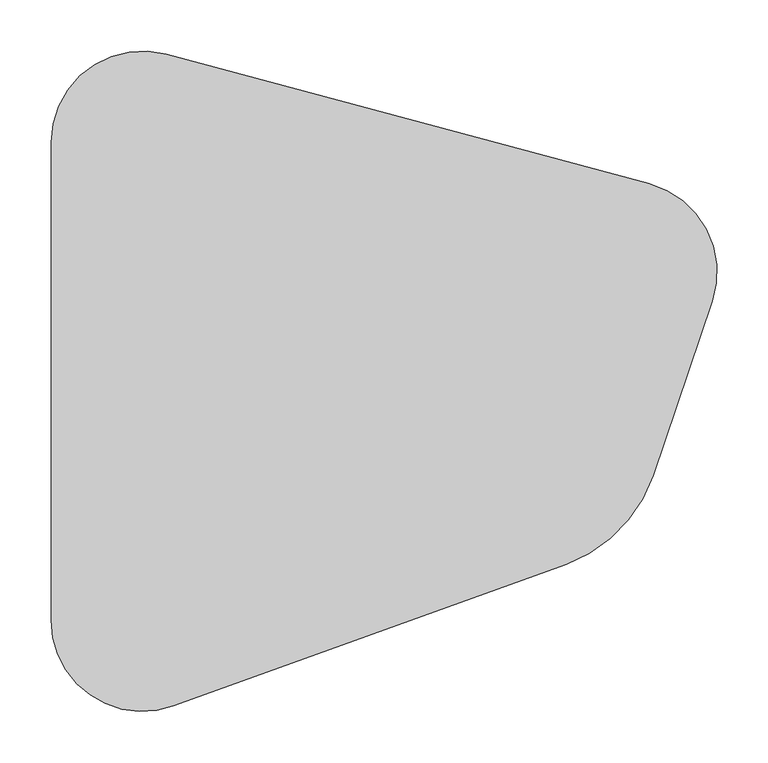
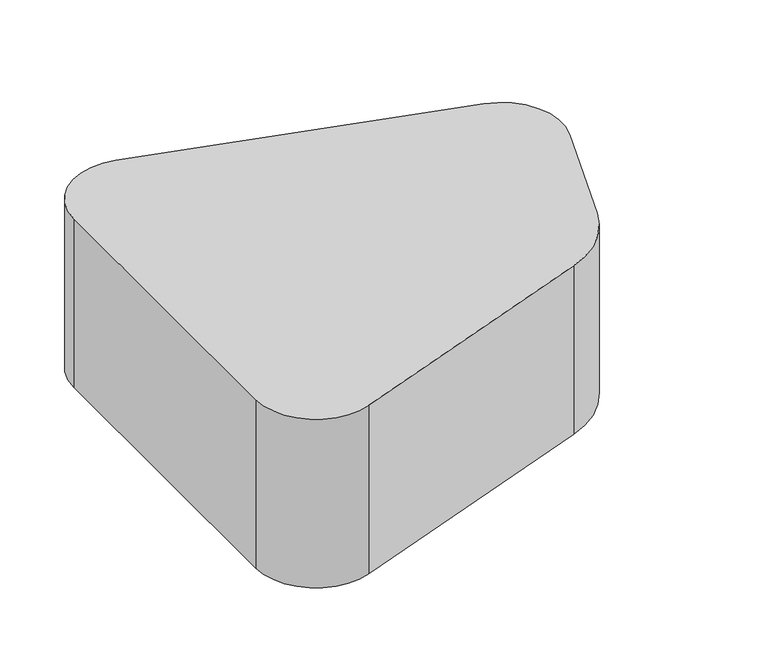
"""IFC4 building model written with IfcOpenShell, lengths in millimetres: furniture geometry."""

from ifc_helpers import new_model, si_unit, point, frame, frame_2d, origin, origin_with_axes, place, context, project, spatial, polyline, circle_curve, trimmed, segment, composite_curve, outline, extrude, source, transform, mapped, element, save


def furniture_4dadacf0(model_context):
    return source(origin(), model_context, "Body", "SweptSolid", [
        extrude(outline(composite_curve([segment(trimmed(circle_curve(frame_2d((-244.3914191, -244.5873402)), 12.7), [point((-257.0914191, -244.5873402))], [point((-231.6914191, -244.5873402))], False, "CARTESIAN"), True, "CONTINUOUS"), segment(trimmed(circle_curve(frame_2d((-244.3914191, -244.5873402)), 12.7), [point((-231.6914191, -244.5873402))], [point((-257.0914191, -244.5873402))], False, "CARTESIAN"), True, "CONTINUOUS")], self_intersect=False)), origin_with_axes(), (0.0, 0.0, 1.0), 15.875),
        extrude(outline(composite_curve([segment(trimmed(circle_curve(frame_2d((-244.3914191, 231.6626598)), 12.7), [point((-257.0914191, 231.6626598))], [point((-231.6914191, 231.6626598))], False, "CARTESIAN"), True, "CONTINUOUS"), segment(trimmed(circle_curve(frame_2d((-244.3914191, 231.6626598)), 12.7), [point((-231.6914191, 231.6626598))], [point((-257.0914191, 231.6626598))], False, "CARTESIAN"), True, "CONTINUOUS")], self_intersect=False)), origin_with_axes(), (0.0, 0.0, 1.0), 15.875),
        extrude(outline(composite_curve([segment(trimmed(circle_curve(frame_2d((175.4555016, -107.6047883)), 12.7), [point((162.7555016, -107.6047883))], [point((188.1555016, -107.6047883))], False, "CARTESIAN"), True, "CONTINUOUS"), segment(trimmed(circle_curve(frame_2d((175.4555016, -107.6047883)), 12.7), [point((188.1555016, -107.6047883))], [point((162.7555016, -107.6047883))], False, "CARTESIAN"), True, "CONTINUOUS")], self_intersect=False)), origin_with_axes(), (0.0, 0.0, 1.0), 15.875),
        extrude(outline(composite_curve([segment(trimmed(circle_curve(frame_2d((252.8314964, 120.9529625)), 12.7), [point((240.1314964, 120.9529625))], [point((265.5314964, 120.9529625))], False, "CARTESIAN"), True, "CONTINUOUS"), segment(trimmed(circle_curve(frame_2d((252.8314964, 120.9529625)), 12.7), [point((265.5314964, 120.9529625))], [point((240.1314964, 120.9529625))], False, "CARTESIAN"), True, "CONTINUOUS")], self_intersect=False)), origin_with_axes(), (0.0, 0.0, 1.0), 15.875),
        extrude(outline(composite_curve([segment(polyline([(-211.9089006, 317.0299389), (259.3616318, 190.5646148)]), True, "CONTINUOUS"), segment(trimmed(circle_curve(frame_2d((236.3205323, 104.7024128)), 88.9), [point((259.3616318, 190.5646148))], [point((320.5260195, 76.1954674))], False, "CARTESIAN"), True, "CONTINUOUS"), segment(polyline([(320.5260195, 76.1954674), (262.9497307, -93.8767505)]), True, "CONTINUOUS"), segment(trimmed(circle_curve(frame_2d((130.6268224, -49.0801219)), 139.7), [point((262.9497307, -93.8767505))], [point((178.1286607, -180.4561675))], False, "CARTESIAN"), True, "CONTINUOUS"), segment(polyline([(178.1286607, -180.4561675), (-204.7215574, -318.8839083)]), True, "CONTINUOUS"), segment(trimmed(circle_curve(frame_2d((-234.95, -235.2809702)), 88.9), [point((-204.7215574, -318.8839083))], [point((-323.85, -235.2809702))], False, "CARTESIAN"), True, "CONTINUOUS"), segment(polyline([(-323.85, -235.2809702), (-323.85, 231.1677368)]), True, "CONTINUOUS"), segment(trimmed(circle_curve(frame_2d((-234.95, 231.1677368)), 88.9), [point((-323.85, 231.1677368))], [point((-211.9089006, 317.0299389))], False, "CARTESIAN"), True, "CONTINUOUS")], self_intersect=False)), frame((0.0, 0.0, 15.875), z_axis=(0.0, 0.0, 1.0), x_axis=(1.0, 0.0, 0.0)), (0.0, 0.0, 1.0), 263.525),
    ])


if __name__ == "__main__":
    model = new_model("IFC4")
    model_context = context("Model", 3, world=origin())
    ifc_project = project(units=[si_unit("LENGTHUNIT", "METRE", prefix="MILLI")], contexts=[model_context])
    site = spatial("IfcSite", under=ifc_project)
    building = spatial("IfcBuilding", under=site)
    placement = place(None, origin())
    furniture_shape = furniture_4dadacf0(model_context)
    element("IfcFurniture", 1, at=placement, inside=building, context=model_context, shape_type="MappedRepresentation", body=[
        mapped(furniture_shape, transform((0.0, 0.0, 0.0), x_axis=(1.0, 0.0, 0.0), y_axis=(0.0, 1.0, 0.0), z_axis=(0.0, 0.0, 1.0))),
    ])
    save(model, "model.ifc")
